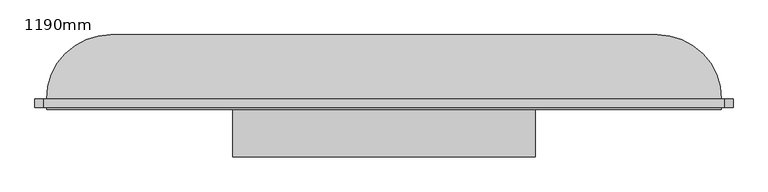
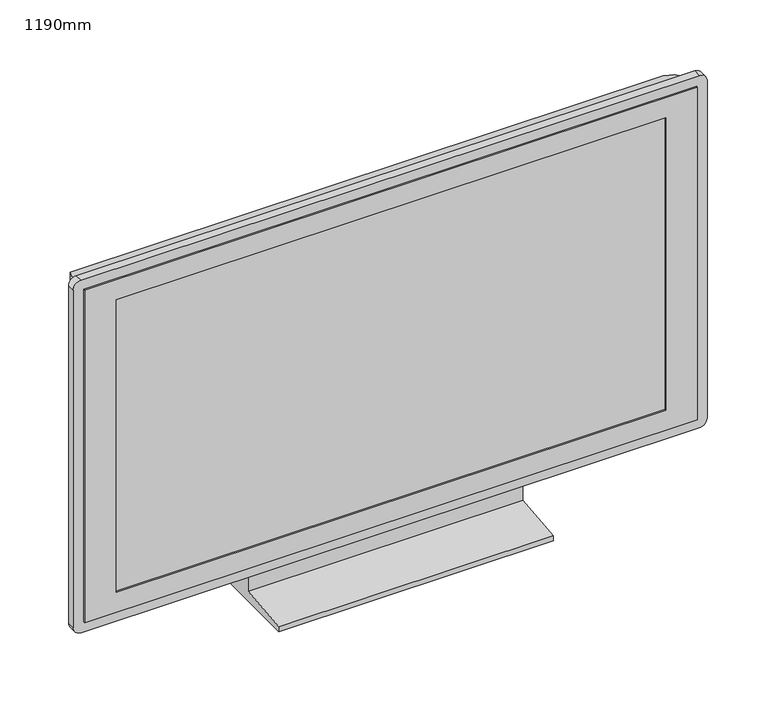
"""IFC4 building model written with IfcOpenShell, lengths in millimetres: furniture geometry, 1190mm."""

from ifc_helpers import new_model, si_unit, point, frame, frame_2d, origin, place, context, project, spatial, polyline, circle_curve, ellipse_curve, trimmed, segment, composite_curve, outline, extrude, faceted_brep, source, transform, mapped, element, save
from ifc_brep_helpers import plane_surface, cylinder_surface, advanced_brep


def furniture_1190mm_d9bcc661(model_context):
    return source(origin(), model_context, "Body", "SolidModel", [
        extrude(outline(polyline([(-51.4613764, 80.0), (-1.4613764, 80.0), (48.5386236, 0.0), (-151.4613764, 0.0), (-151.4613764, 10.0), (-51.4613764, 20.0), (-51.4613764, 80.0)])), frame((-263.2325176, 0.0, 0.0), z_axis=(1.0, 0.0, 0.0), x_axis=(0.0, 1.0, 0.0)), (0.0, 0.0, 1.0), 518.576007),
        faceted_brep([(574.6314928, -69.4613764, 743.4515403), (-582.5205211, -69.4613764, 743.4515403), (-582.5205211, -69.4613764, 80.0), (574.6314928, -69.4613764, 80.0), (-522.5205211, -69.4613764, 703.4515403), (514.6314928, -69.4613764, 703.4515403), (514.6314928, -69.4613764, 120.0), (-522.5205211, -69.4613764, 120.0), (574.6314928, -51.4613764, 743.4515403), (574.6314928, -51.4613764, 80.0), (-582.5205211, -51.4613764, 80.0), (-582.5205211, -51.4613764, 743.4515403), (-522.5205211, -66.4613764, 703.4515403), (-522.5205211, -66.4613764, 120.0), (514.6314928, -66.4613764, 120.0), (514.6314928, -66.4613764, 703.4515403)], [[[0, 1, 2, 3], [4, 5, 6, 7]], [[8, 9, 10, 11]], [[1, 0, 8, 11]], [[2, 1, 11, 10]], [[3, 2, 10, 9]], [[0, 3, 9, 8]], [[12, 13, 14, 15]], [[12, 15, 5, 4]], [[15, 14, 6, 5]], [[14, 13, 7, 6]], [[13, 12, 4, 7]]]),
        extrude(outline(composite_curve([segment(polyline([(763.4515403, 579.6314928), (763.4515403, -587.5205211)]), True, "CONTINUOUS"), segment(trimmed(circle_curve(frame_2d((748.4515403, -587.5205211)), 15.0), [point((763.4515403, -587.5205211))], [point((748.4515403, -602.5205211))], False, "CARTESIAN"), True, "CONTINUOUS"), segment(polyline([(748.4515403, -602.5205211), (75.0, -602.5205211)]), True, "CONTINUOUS"), segment(trimmed(circle_curve(frame_2d((75.0, -587.5205211)), 15.0), [point((75.0, -602.5205211))], [point((60.0, -587.5205211))], False, "CARTESIAN"), True, "CONTINUOUS"), segment(polyline([(60.0, -587.5205211), (60.0, 579.6314928)]), True, "CONTINUOUS"), segment(trimmed(circle_curve(frame_2d((75.0, 579.6314928)), 15.0), [point((60.0, 579.6314928))], [point((75.0, 594.6314928))], False, "CARTESIAN"), True, "CONTINUOUS"), segment(polyline([(75.0, 594.6314928), (748.4515403, 594.6314928)]), True, "CONTINUOUS"), segment(trimmed(circle_curve(frame_2d((748.4515403, 579.6314928)), 15.0), [point((748.4515403, 594.6314928))], [point((763.4515403, 579.6314928))], False, "CARTESIAN"), True, "CONTINUOUS")], self_intersect=False), holes=[polyline([(743.4515403, 574.6314928), (80.0, 574.6314928), (80.0, -582.5205211), (743.4515403, -582.5205211), (743.4515403, 574.6314928)])]), frame((0.0, -66.4613764, 0.0), z_axis=(0.0, 1.0, 0.0), x_axis=(0.0, 0.0, 1.0)), (0.0, 0.0, 1.0), 15.0),
        advanced_brep(
        [(-582.5205211, -51.4613764, 80.0), (574.6314928, -51.4613764, 80.0), (574.6314928, -51.4613764, 743.4515403), (-582.5205211, -51.4613764, 743.4515403), (464.6314928, 58.5386236, 80.0), (-472.5205211, 58.5386236, 80.0), (-472.5205211, 58.5386236, 633.4515403), (464.6314928, 58.5386236, 633.4515403)],
        [
            (0, 1),
            (1, 2),
            (2, 3),
            (3, 0),
            (4, 5),
            (5, 6),
            (6, 7),
            (7, 4),
            (0, 5, circle_curve(frame((-472.5205211, -51.4613764, 80.0), z_axis=(0.0, 0.0, -1.0), x_axis=(-1.0, 0.0, 0.0)), 110.0)),
            (4, 1, circle_curve(frame((464.6314928, -51.4613764, 80.0), z_axis=(0.0, 0.0, -1.0), x_axis=(1.0, 0.0, 0.0)), 110.0)),
            (7, 2, ellipse_curve(frame((464.6314928, -51.4613764, 633.4515403), z_axis=(0.7071067811865475, 0.0, -0.7071067811865475), x_axis=(0.7071067811865474, 0.0, 0.7071067811865476)), 155.5634919, 110.0)),
            (6, 3, ellipse_curve(frame((-472.5205211, -51.4613764, 633.4515403), z_axis=(0.7071067811865475, 0.0, 0.7071067811865476), x_axis=(-0.7071067811865476, 0.0, 0.7071067811865475)), 155.5634919, 110.0)),
        ],
        [
            plane_surface(frame((-582.5205211, -51.4613764, 743.4515403), z_axis=(0.0, -1.0, 0.0), x_axis=(-1.0, 0.0, 0.0))),
            plane_surface(frame((-582.5205211, 58.5386236, 743.4515403), z_axis=(0.0, 1.0, 0.0), x_axis=(1.0, 0.0, 0.0))),
            plane_surface(frame((-582.5205211, -51.4613764, 80.0), z_axis=(0.0, 0.0, -1.0), x_axis=(0.0, 1.0, 0.0))),
            cylinder_surface(frame((464.6314928, -51.4613764, 80.0), z_axis=(0.0, 0.0, 1.0), x_axis=(1.0, 0.0, 0.0)), 110.0),
            cylinder_surface(frame((574.6314928, -51.4613764, 633.4515403), z_axis=(-1.0, 0.0, 0.0), x_axis=(0.0, 0.0, 1.0)), 110.0),
            cylinder_surface(frame((-472.5205211, -51.4613764, 743.4515403), z_axis=(0.0, 0.0, -1.0), x_axis=(-1.0, 0.0, 0.0)), 110.0),
        ],
        [
            (0, [[1, 2, 3, 4]]),
            (1, [[5, 6, 7, 8]]),
            (2, [[-1, 9, -5, 10]]),
            (3, [[11, -2, -10, -8]]),
            (4, [[-11, -7, 12, -3]]),
            (5, [[-12, -6, -9, -4]]),
        ],
    ),
    ])


if __name__ == "__main__":
    model = new_model("IFC4")
    model_context = context("Model", 3, world=origin())
    ifc_project = project(units=[si_unit("LENGTHUNIT", "METRE", prefix="MILLI")], contexts=[model_context])
    site = spatial("IfcSite", under=ifc_project)
    building = spatial("IfcBuilding", under=site)
    placement = place(None, origin())
    furniture_1190mm_shape = furniture_1190mm_d9bcc661(model_context)
    element("IfcFurniture", 1, ObjectType="1190mm", at=placement, inside=building, context=model_context, shape_type="MappedRepresentation", body=[
        mapped(furniture_1190mm_shape, transform((0.0, 0.0, 0.0), x_axis=(1.0, 0.0, 0.0), y_axis=(0.0, 1.0, 0.0), z_axis=(0.0, 0.0, 1.0))),
    ])
    save(model, "model.ifc")
